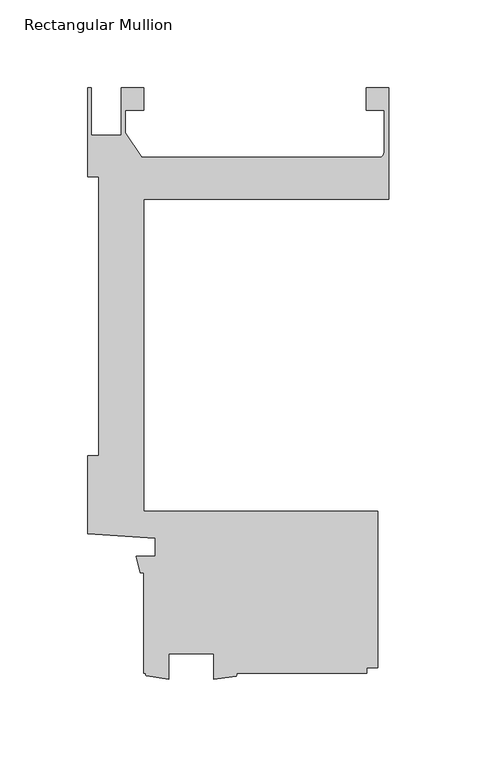
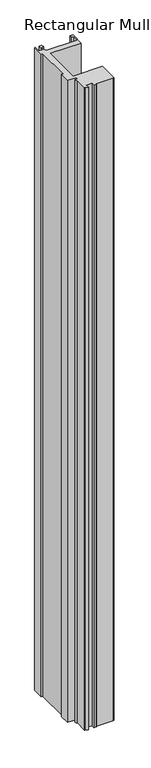
"""IFC4 building model written with IfcOpenShell, lengths in millimetres: member geometry, Rectangular Mullion."""

from ifc_helpers import new_model, si_unit, point, frame, frame_2d, origin, place, context, project, spatial, polyline, circle_curve, trimmed, segment, composite_curve, outline, extrude, source, transform, mapped, element, save


def rectangular_mullion_c67b583c(model_context):
    return source(origin(), model_context, "Body", "SweptSolid", [
        extrude(outline(composite_curve([segment(polyline([(-171.4499999, 241.2999996), (-169.4179999, 241.2999996), (-169.4179999, 214.1401991), (-152.5173426, 214.1401991), (-152.5173426, 241.2999996), (-139.6770294, 241.2999996), (-139.6770294, 228.6254), (-149.9773426, 228.6254), (-149.9773426, 215.5945453), (-140.6789127, 201.5997996), (-4.3676768, 201.5997996)]), True, "CONTINUOUS"), segment(trimmed(circle_curve(frame_2d((-8.89, 206.0575)), 6.35), [point((-4.3676768, 201.5997996))], [point((-2.54, 206.0575))], True, "CARTESIAN"), True, "CONTINUOUS"), segment(polyline([(-2.54, 206.0575), (-2.54, 228.5746), (-12.720056, 228.5746), (-12.720056, 241.2746), (0.0, 241.2746), (0.0, 177.8), (-139.7010309, 177.8), (-139.7010309, 0.0), (-6.3510934, 0.0), (-6.3510934, -88.899973), (-12.7010309, -88.899973), (-12.7010309, -92.075127), (-87.0244531, -92.075127)]), True, "CONTINUOUS"), segment(trimmed(circle_curve(frame_2d((-87.6043049, -92.9068292)), 1.013882), [point((-87.0244531, -92.075127))], [point((-87.0244531, -93.7385314))], False, "CARTESIAN"), True, "CONTINUOUS"), segment(polyline([(-87.0244531, -93.7385314), (-99.7975059, -95.5946487), (-99.7975059, -80.962627), (-125.1975059, -80.962627), (-125.1975059, -95.471127), (-137.9687934, -93.6610233)]), True, "CONTINUOUS"), segment(trimmed(circle_curve(frame_2d((-137.4716503, -92.8680751)), 0.9359049), [point((-137.9687934, -93.6610233))], [point((-137.9687934, -92.075127))], False, "CARTESIAN"), True, "CONTINUOUS"), segment(polyline([(-137.9687934, -92.075127), (-139.7010309, -92.075127), (-139.7010309, -34.925), (-141.4322951, -34.925), (-143.8744778, -25.4), (-133.0838609, -25.4), (-133.0838609, -15.24), (-171.4510934, -12.5822928), (-171.4510934, 31.75), (-165.3364335, 31.75), (-165.3364335, 190.4999996), (-171.4499999, 190.4999996), (-171.4499999, 241.2999996)]), True, "CONTINUOUS")], self_intersect=False)), frame((0.0, 0.0, -3048.0), z_axis=(0.0, 0.0, 1.0), x_axis=(1.0, 0.0, 0.0)), (0.0, 0.0, 1.0), 3048.0),
    ])


if __name__ == "__main__":
    model = new_model("IFC4")
    model_context = context("Model", 3, world=origin())
    ifc_project = project(units=[si_unit("LENGTHUNIT", "METRE", prefix="MILLI")], contexts=[model_context])
    site = spatial("IfcSite", under=ifc_project)
    building = spatial("IfcBuilding", under=site)
    placement = place(None, origin())
    rectangular_mullion_shape = rectangular_mullion_c67b583c(model_context)
    element("IfcMember", 1, ObjectType="Rectangular Mullion", at=placement, inside=building, context=model_context, shape_type="MappedRepresentation", body=[
        mapped(rectangular_mullion_shape, transform((0.0, 0.0, 0.0), x_axis=(1.0, 0.0, 0.0), y_axis=(0.0, 1.0, 0.0), z_axis=(0.0, 0.0, 1.0))),
    ])
    save(model, "model.ifc")
